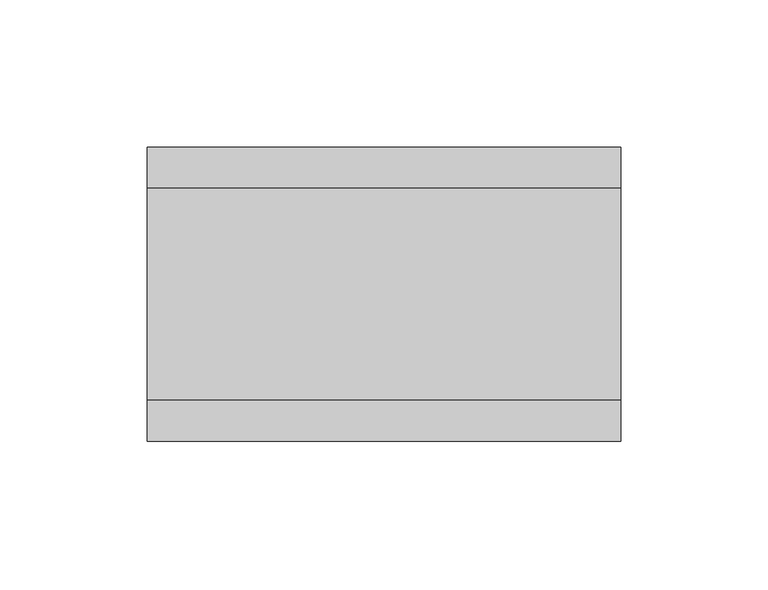
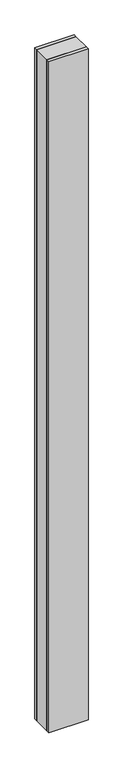
"""IFC4 building model written with IfcOpenShell, lengths in millimetres: plate geometry."""

from ifc_helpers import new_model, si_unit, origin, origin_with_axes, place, context, project, spatial, polyline, outline, extrude, source, transform, mapped, element, save


def plate_3343c39b(model_context):
    return source(origin(), model_context, "Body", "SweptSolid", [
        extrude(outline(polyline([(80.5948296, 36.0), (80.5948296, -36.0), (-80.5948296, -36.0), (-80.5948296, 36.0), (80.5948296, 36.0)])), origin_with_axes(), (0.0, 0.0, 1.0), 2925.7),
        extrude(outline(polyline([(80.5948296, 50.0), (80.5948296, 36.0), (-80.5948296, 36.0), (-80.5948296, 50.0), (80.5948296, 50.0)])), origin_with_axes(), (0.0, 0.0, 1.0), 2925.7),
        extrude(outline(polyline([(80.5948296, -36.0), (80.5948296, -50.0), (-80.5948296, -50.0), (-80.5948296, -36.0), (80.5948296, -36.0)])), origin_with_axes(), (0.0, 0.0, 1.0), 2925.7),
    ])


if __name__ == "__main__":
    model = new_model("IFC4")
    model_context = context("Model", 3, world=origin())
    ifc_project = project(units=[si_unit("LENGTHUNIT", "METRE", prefix="MILLI")], contexts=[model_context])
    site = spatial("IfcSite", under=ifc_project)
    building = spatial("IfcBuilding", under=site)
    placement = place(None, origin())
    plate_shape = plate_3343c39b(model_context)
    element("IfcPlate", 1, at=placement, inside=building, context=model_context, shape_type="MappedRepresentation", body=[
        mapped(plate_shape, transform((0.0, 0.0, 0.0), x_axis=(1.0, 0.0, 0.0), y_axis=(0.0, 1.0, 0.0), z_axis=(0.0, 0.0, 1.0))),
    ])
    save(model, "model.ifc")
